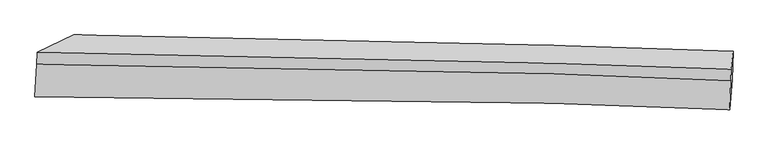
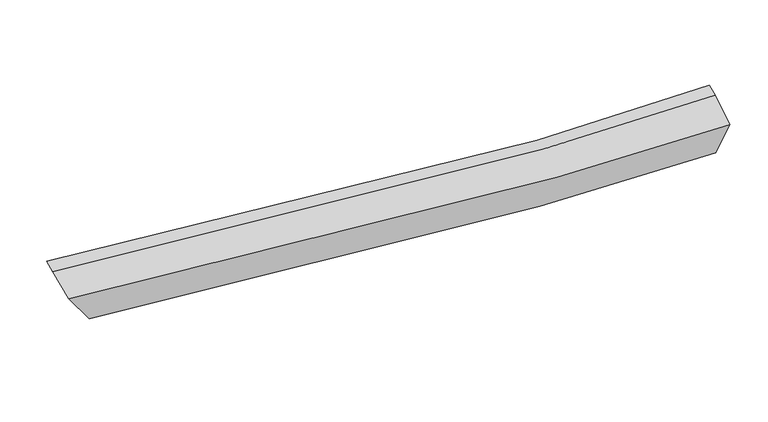
"""IFC4 building model written with IfcOpenShell, lengths in millimetres: proxy geometry."""

from ifc_helpers import new_model, si_unit, frame, origin, place, context, project, spatial, source, transform, mapped, element, save
from ifc_brep_helpers import plane_surface, spline_curve, spline_surface, advanced_brep


def generic_models_40d7b25c(model_context):
    return source(origin(), model_context, "Body", "AdvancedBrep", [
        advanced_brep(
        [(-4840.8061319, -1964.2483833, 3736.3818051), (-4866.7483989, -2387.0068283, 3607.4162244), (4120.6273773, -2552.8543219, 3084.6915396), (4133.5693084, -2178.92707, 3284.2102391), (-4353.684978, -1991.1751158, 2899.1202541), (4152.5145769, -2165.504131, 2431.5889166), (-4363.1160082, -1584.192739, 3081.6306251), (4164.6066024, -1796.5308118, 2660.0278876), (-4834.8044811, -1809.1521387, 3789.6583457), (4139.4173964, -2027.7992363, 3336.1236055)],
        [
            (0, 1),
            (1, 2, spline_curve(3, [(-4866.7483989, -2387.0068283, 3607.4162244), (-2585.145328734, -2379.173918573, 3307.398270948), (-362.885168668, -2406.931001766, 3133.747988168), (2581.306618078, -2493.159885564, 3069.386267206), (3354.838382651, -2520.685300433, 3068.794988251), (4120.6273773, -2552.8543219, 3084.6915396)], [4, 2, 4], [0.0, 21.70468102130021, 29.544701046103622])),
            (2, 3),
            (3, 0, spline_curve(3, [(4133.5693084, -2178.92707, 3284.2102391), (3368.932225418, -2143.980913259, 3257.764728865), (2596.551846302, -2113.269131711, 3248.950297085), (-343.302988097, -2013.490425604, 3282.175363813), (-2562.381088622, -1972.64264481, 3441.713651089), (-4840.8061319, -1964.2483833, 3736.3818051)], [4, 2, 4], [0.0, 7.840020024803412, 29.544701046103622])),
            (1, 4),
            (4, 5, spline_curve(3, [(-4353.684978, -1991.1751158, 2899.1202541), (-2410.30149672, -1986.108570976, 2631.551205621), (-364.354368261, -2016.125549791, 2476.44078002), (2560.227132723, -2104.741218895, 2418.38257682), (3349.679855238, -2132.83391262, 2417.649223542), (4152.5145769, -2165.504131, 2431.5889166)], [4, 2, 4], [0.0, 21.139717523650983, 28.775665204313235])),
            (5, 2),
            (4, 6),
            (6, 7, spline_curve(3, [(-4363.1160082, -1584.192739, 3081.6306251), (-2400.958170145, -1610.840248711, 2810.212700279), (-346.157099353, -1656.110663727, 2662.343395681), (2576.972705993, -1743.083100965, 2629.237755184), (3364.745838087, -1768.592044102, 2636.572814264), (4164.6066024, -1796.5308118, 2660.0278876)], [4, 2, 4], [0.0, 20.581740195360332, 28.0161390293525])),
            (7, 5),
            (6, 8),
            (8, 9, spline_curve(3, [(-4834.8044811, -1809.1521387, 3789.6583457), (-2557.157343808, -1837.649249179, 3488.084735897), (-338.31329501, -1884.545456605, 3326.468776144), (2601.963246699, -1973.426296852, 3296.987194937), (3374.526489818, -1999.412454762, 3307.424908449), (4139.4173964, -2027.7992363, 3336.1236055)], [4, 2, 4], [0.0, 21.147554307149186, 28.786332738445168])),
            (9, 7),
            (8, 0),
            (3, 9),
        ],
        [
            spline_surface(3, 3, [[(-4840.8061319, -1964.2483833, 3736.3818051), (-2562.381088794, -1972.642644609, 3441.713650982), (-343.302987925, -2013.490425301, 3282.175363849), (2596.55184624, -2113.26913182, 3248.950297072), (3368.932225476, -2143.980913345, 3257.764728834), (4133.5693084, -2178.92707, 3284.2102391)], [(-4849.453554222, -2105.167864976, 3693.393278206), (-2569.969168882, -2108.153069236, 3396.941857566), (-349.830381402, -2144.637284062, 3232.699571949), (2591.470103494, -2239.899383107, 3189.095620476), (3364.234277883, -2269.549042372, 3194.774815293), (4129.255331367, -2303.569487298, 3217.704005916)], [(-4858.100976578, -2246.087346624, 3650.404751294), (-2577.557249003, -2243.663493835, 3352.170064133), (-356.357774906, -2275.784142787, 3183.223779995), (2586.388360721, -2366.529634356, 3129.240943828), (3359.536330289, -2395.117171404, 3131.784901805), (4124.941354333, -2428.211904602, 3151.197772784)], [(-4866.7483989, -2387.0068283, 3607.4162244), (-2585.14532909, -2379.173918462, 3307.398270718), (-362.885168383, -2406.931001548, 3133.747988095), (2581.306617975, -2493.159885643, 3069.386267233), (3354.838382696, -2520.68530043, 3068.794988264), (4120.6273773, -2552.8543219, 3084.6915396)]], [4, 4], [4, 2, 4], [0.0, 1.387006484648618], [0.0, 21.70468102130021, 29.544701046103622]),
            spline_surface(3, 3, [[(-4866.7483989, -2387.0068283, 3607.4162244), (-2585.14532909, -2379.173918462, 3307.398270718), (-362.885168383, -2406.931001548, 3133.747988095), (2581.306617975, -2493.159885643, 3069.386267233), (3354.838382696, -2520.68530043, 3068.794988264), (4120.6273773, -2552.8543219, 3084.6915396)], [(-4695.727258587, -2255.062924146, 3371.317567643), (-2526.864051674, -2248.152136056, 3082.115915662), (-363.374901587, -2276.662517516, 2914.645585288), (2574.280122842, -2363.686996765, 2852.385037122), (3353.118873592, -2391.401504469, 2851.746400048), (4131.256443841, -2423.737591615, 2866.990665273)], [(-4524.706118313, -2123.119019954, 3135.218910857), (-2468.582774298, -2117.130353614, 2856.833560578), (-363.864634754, -2146.394033488, 2695.543182514), (2567.253627746, -2234.214107894, 2635.383807044), (3351.399364464, -2262.117708464, 2634.697811813), (4141.885510359, -2294.620861285, 2649.289790927)], [(-4353.684978, -1991.1751158, 2899.1202541), (-2410.301496882, -1986.108571208, 2631.551205522), (-364.354367957, -2016.125549456, 2476.440779707), (2560.227132613, -2104.741219016, 2418.382576933), (3349.67985536, -2132.833912504, 2417.649223597), (4152.5145769, -2165.504131, 2431.5889166)]], [4, 4], [4, 2, 4], [0.0, 2.525303697643778], [0.0, 21.139717523650983, 28.775665204313235]),
            spline_surface(3, 3, [[(-4353.684978, -1991.1751158, 2899.1202541), (-2410.301496882, -1986.108571208, 2631.551205522), (-364.354367957, -2016.125549456, 2476.440779707), (2560.227132613, -2104.741219016, 2418.382576933), (3349.67985536, -2132.833912504, 2417.649223597), (4152.5145769, -2165.504131, 2431.5889166)], [(-4356.828654756, -1855.514323523, 2959.957044431), (-2407.18705475, -1861.019130462, 2691.105037151), (-358.288611676, -1896.120587486, 2538.408318352), (2565.808990366, -1984.188513003, 2488.667636371), (3354.701849604, -2011.419956333, 2490.6237538), (4156.545252066, -2042.513024583, 2507.735240277)], [(-4359.972331444, -1719.853531277, 3020.793834769), (-2404.072612551, -1735.929689747, 2750.658868789), (-352.222855369, -1776.115625556, 2600.375856963), (2571.390848145, -1863.635807029, 2558.952695773), (3359.72384385, -1890.006000215, 2563.598283974), (4160.575927234, -1919.521918217, 2583.881563923)], [(-4363.1160082, -1584.192739, 3081.6306251), (-2400.958170419, -1610.840249, 2810.212700418), (-346.157099088, -1656.110663587, 2662.343395608), (2576.972705898, -1743.083101016, 2629.23775521), (3364.745838094, -1768.592044045, 2636.572814177), (4164.6066024, -1796.5308118, 2660.0278876)]], [4, 4], [4, 2, 4], [0.0, 1.3513423092119403], [0.0, 20.581740195360332, 28.0161390293525]),
            spline_surface(3, 3, [[(-4363.1160082, -1584.192739, 3081.6306251), (-2400.958170419, -1610.840249, 2810.212700418), (-346.157099088, -1656.110663587, 2662.343395608), (2576.972705898, -1743.083101016, 2629.23775521), (3364.745838094, -1768.592044045, 2636.572814177), (4164.6066024, -1796.5308118, 2660.0278876)], [(-4520.345499147, -1659.17920555, 3317.63986529), (-2453.024561551, -1686.443248947, 3036.170045567), (-343.542497611, -1732.255594642, 2883.718522318), (2585.302886139, -1819.86416629, 2851.8209018), (3368.006055377, -1845.532180978, 2860.190178904), (4156.210200406, -1873.620286655, 2885.393126885)], [(-4677.574990153, -1734.16567215, 3553.64910551), (-2505.09095274, -1762.046248943, 3262.127390744), (-340.92789617, -1808.400525668, 3105.093649104), (2593.633066343, -1896.645231535, 3074.404048466), (3371.266272642, -1922.472317849, 3083.807543676), (4147.813798394, -1950.709761445, 3110.758366215)], [(-4834.8044811, -1809.1521387, 3789.6583457), (-2557.157343872, -1837.649248889, 3488.084735893), (-338.313294693, -1884.545456723, 3326.468775813), (2601.963246584, -1973.42629681, 3296.987195057), (3374.526489926, -1999.412454782, 3307.424908403), (4139.4173964, -2027.7992363, 3336.1236055)]], [4, 4], [4, 2, 4], [0.0, 2.3234442792147707], [0.0, 21.147554307149186, 28.786332738445168]),
            spline_surface(3, 3, [[(-4834.8044811, -1809.1521387, 3789.6583457), (-2557.157343872, -1837.649248889, 3488.084735892), (-338.313294693, -1884.545456723, 3326.468775813), (2601.963246584, -1973.42629681, 3296.987195057), (3374.526489926, -1999.412454782, 3307.424908403), (4139.4173964, -2027.7992363, 3336.1236055)], [(-4836.805031388, -1860.850886905, 3771.89949883), (-2558.898592201, -1882.647047468, 3472.627707586), (-339.97652577, -1927.527112909, 3311.704305166), (2600.15944647, -2020.040575139, 3280.974895735), (3372.661735095, -2047.601940953, 3290.871515229), (4137.46803372, -2078.17518085, 3318.819150049)], [(-4838.805581612, -1912.549635095, 3754.14065197), (-2560.639840466, -1927.644846031, 3457.170679288), (-341.639756848, -1970.508769115, 3296.939834497), (2598.355646355, -2066.654853491, 3264.962596393), (3370.796980306, -2095.791427174, 3274.318122008), (4135.51867108, -2128.55112545, 3301.514694551)], [(-4840.8061319, -1964.2483833, 3736.3818051), (-2562.381088794, -1972.642644609, 3441.713650982), (-343.302987925, -2013.490425301, 3282.175363849), (2596.55184624, -2113.26913182, 3248.950297072), (3368.932225476, -2143.980913345, 3257.764728834), (4133.5693084, -2178.92707, 3284.2102391)]], [4, 4], [4, 2, 4], [0.0, 0.4637035549605933], [0.0, 21.68761488398977, 29.521470392570688]),
            plane_surface(frame((4142.1470523, -2144.3231142, 2959.3284377), z_axis=(0.99870981736125, -0.04602037493313069, 0.02146685345533285), x_axis=(-0.035229658715835596, -0.32345234204692086, 0.9455884165804526))),
            plane_surface(frame((-4651.8319996, -1947.155041, 3422.8414509), z_axis=(-0.8434192946525363, 0.20344456460941876, -0.49724662144523635), x_axis=(0.03657282943696084, 0.9451247047429419, 0.32465631155352875))),
        ],
        [
            (0, [[1, 2, 3, 4]]),
            (1, [[5, 6, 7, -2]]),
            (2, [[8, 9, 10, -6]]),
            (3, [[11, 12, 13, -9]]),
            (4, [[14, -4, 15, -12]]),
            (5, [[-13, -15, -3, -7, -10]]),
            (6, [[-14, -11, -8, -5, -1]]),
        ],
    ),
    ])


if __name__ == "__main__":
    model = new_model("IFC4")
    model_context = context("Model", 3, world=origin())
    ifc_project = project(units=[si_unit("LENGTHUNIT", "METRE", prefix="MILLI")], contexts=[model_context])
    site = spatial("IfcSite", under=ifc_project)
    building = spatial("IfcBuilding", under=site)
    placement = place(None, origin())
    generic_models_shape = generic_models_40d7b25c(model_context)
    element("IfcBuildingElementProxy", 1, Name="Generic Models", at=placement, inside=building, context=model_context, shape_type="MappedRepresentation", body=[
        mapped(generic_models_shape, transform((0.0, 0.0, 0.0), x_axis=(1.0, 0.0, 0.0), y_axis=(0.0, 1.0, 0.0), z_axis=(0.0, 0.0, 1.0))),
    ])
    save(model, "model.ifc")
